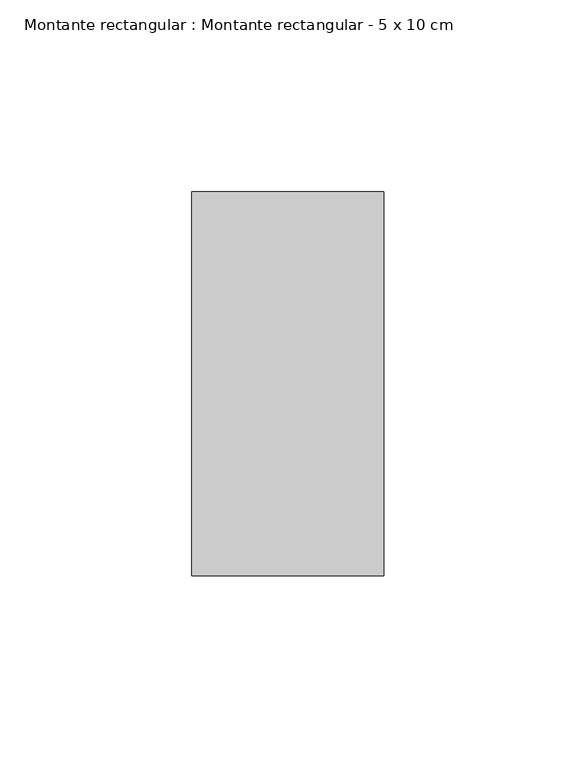
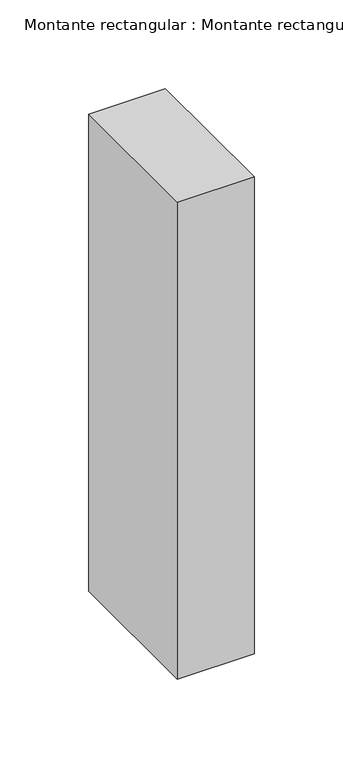
"""IFC4 building model written with IfcOpenShell, lengths in millimetres: member geometry, Montante rectangular : Montante rectangular - 5 x 10 cm."""

from ifc_helpers import new_model, si_unit, frame, origin, place, context, project, spatial, polyline, outline, extrude, source, transform, mapped, element, save


def montante_rectangular_montante_rectangular_5_x_10_cm_cf14d205(model_context):
    return source(origin(), model_context, "Body", "SweptSolid", [
        extrude(outline(polyline([(0.0, 50.0), (0.0, -50.0), (-50.0, -50.0), (-50.0, 50.0), (0.0, 50.0)])), frame((0.0, 0.0, -328.3333333), z_axis=(0.0, 0.0, 1.0), x_axis=(1.0, 0.0, 0.0)), (0.0, 0.0, 1.0), 328.3333333),
    ])


if __name__ == "__main__":
    model = new_model("IFC4")
    model_context = context("Model", 3, world=origin())
    ifc_project = project(units=[si_unit("LENGTHUNIT", "METRE", prefix="MILLI")], contexts=[model_context])
    site = spatial("IfcSite", under=ifc_project)
    building = spatial("IfcBuilding", under=site)
    placement = place(None, origin())
    montante_rectangular_montante_rectangular_5_x_10_cm_shape = montante_rectangular_montante_rectangular_5_x_10_cm_cf14d205(model_context)
    element("IfcMember", 1, ObjectType="Montante rectangular : Montante rectangular - 5 x 10 cm", at=placement, inside=building, context=model_context, shape_type="MappedRepresentation", body=[
        mapped(montante_rectangular_montante_rectangular_5_x_10_cm_shape, transform((0.0, 0.0, 0.0), x_axis=(1.0, 0.0, 0.0), y_axis=(0.0, 1.0, 0.0), z_axis=(0.0, 0.0, 1.0))),
    ])
    save(model, "model.ifc")
